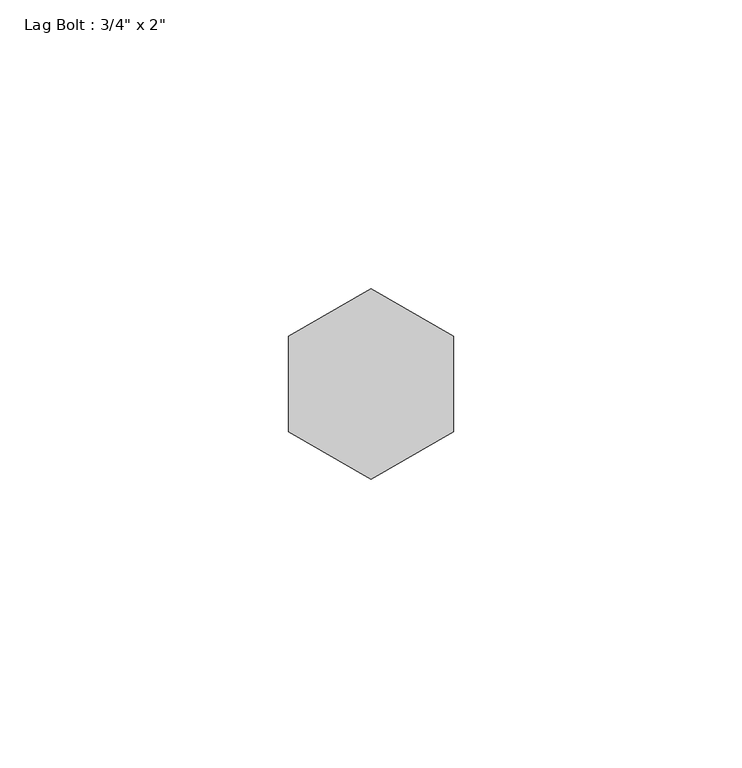
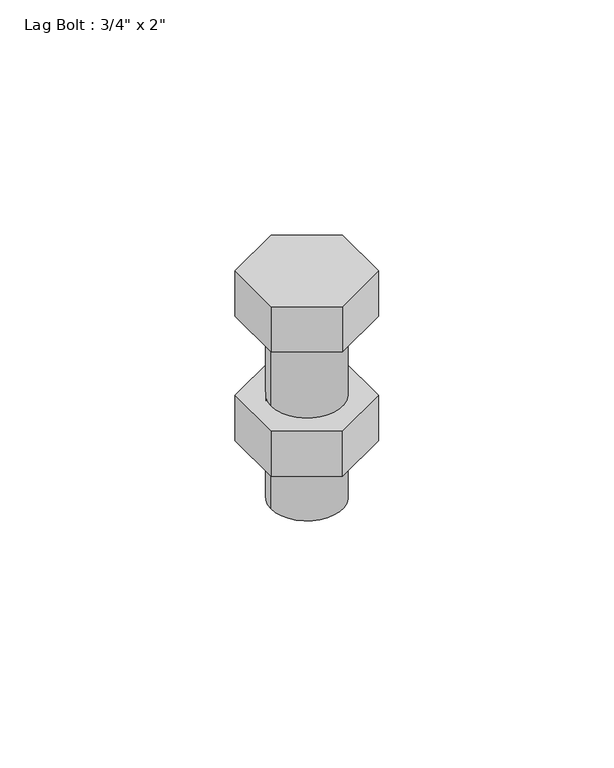
"""IFC4 building model written with IfcOpenShell, lengths in millimetres: proxy geometry."""

from ifc_helpers import new_model, si_unit, point, frame, origin, origin_with_axes, origin_2d, place, context, project, spatial, polyline, circle_curve, trimmed, segment, composite_curve, outline, extrude, source, transform, mapped, element, save


def proxy_6d791ba0(model_context):
    return source(origin(), model_context, "Body", "SweptSolid", [
        extrude(outline(polyline([(-14.2875, -8.248892), (-14.2875, 8.248892), (0.0, 16.4977839), (14.2875, 8.248892), (14.2875, -8.248892), (0.0, -16.4977839), (-14.2875, -8.248892)])), frame((0.0, 0.0, -34.925), z_axis=(0.0, 0.0, 1.0), x_axis=(1.0, 0.0, 0.0)), (0.0, 0.0, 1.0), 12.7),
        extrude(outline(polyline([(-14.2875, 8.248892), (0.0, 16.4977839), (14.2875, 8.248892), (14.2875, -8.248892), (0.0, -16.4977839), (-14.2875, -8.248892), (-14.2875, 8.248892)])), origin_with_axes(), (0.0, 0.0, 1.0), 12.7),
        extrude(outline(composite_curve([segment(trimmed(circle_curve(origin_2d(), 9.525), [point((-9.525, 0.0))], [point((9.525, 0.0))], False, "CARTESIAN"), True, "CONTINUOUS"), segment(trimmed(circle_curve(origin_2d(), 9.525), [point((9.525, 0.0))], [point((-9.525, 0.0))], False, "CARTESIAN"), True, "CONTINUOUS")], self_intersect=False)), frame((0.0, 0.0, -50.8), z_axis=(0.0, 0.0, 1.0), x_axis=(1.0, 0.0, 0.0)), (0.0, 0.0, 1.0), 50.8),
    ])


if __name__ == "__main__":
    model = new_model("IFC4")
    model_context = context("Model", 3, world=origin())
    ifc_project = project(units=[si_unit("LENGTHUNIT", "METRE", prefix="MILLI")], contexts=[model_context])
    site = spatial("IfcSite", under=ifc_project)
    building = spatial("IfcBuilding", under=site)
    placement = place(None, origin())
    proxy_shape = proxy_6d791ba0(model_context)
    element("IfcBuildingElementProxy", 1, Name="Lag Bolt : 3/4\" x 2\"", ObjectType="Lag Bolt : 3/4\" x 2\"", at=placement, inside=building, context=model_context, shape_type="MappedRepresentation", body=[
        mapped(proxy_shape, transform((0.0, 0.0, 0.0), x_axis=(1.0, 0.0, 0.0), y_axis=(0.0, 1.0, 0.0), z_axis=(0.0, 0.0, 1.0))),
    ])
    save(model, "model.ifc")
